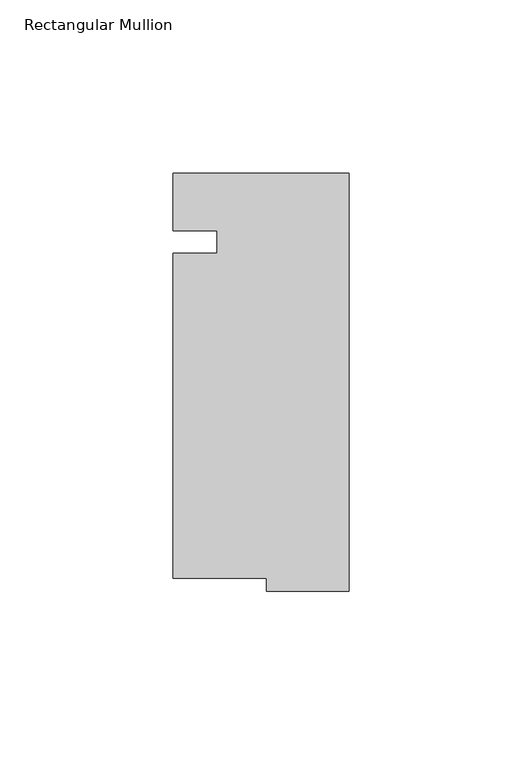
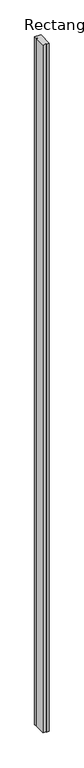
"""IFC4 building model written with IfcOpenShell, lengths in millimetres: member geometry, Rectangular Mullion."""

from ifc_helpers import new_model, si_unit, frame, origin, place, context, project, spatial, polyline, outline, extrude, source, transform, mapped, element, save


def rectangular_mullion_d02981e1(model_context):
    return source(origin(), model_context, "Body", "SweptSolid", [
        extrude(outline(polyline([(0.0, -60.5664926), (-23.7756192, -60.5664926), (-23.7756192, -56.8028805), (-50.7746, -56.8028805), (-50.7746, 36.9806028), (-38.0746, 36.9806028), (-38.0746, 43.4208412), (-50.7746, 43.4208412), (-50.7746, 60.0835074), (0.0, 60.0835074), (0.0, -60.5664926)])), frame((0.0, 0.0, -6019.8), z_axis=(0.0, 0.0, 1.0), x_axis=(1.0, 0.0, 0.0)), (0.0, 0.0, 1.0), 6019.8),
    ])


if __name__ == "__main__":
    model = new_model("IFC4")
    model_context = context("Model", 3, world=origin())
    ifc_project = project(units=[si_unit("LENGTHUNIT", "METRE", prefix="MILLI")], contexts=[model_context])
    site = spatial("IfcSite", under=ifc_project)
    building = spatial("IfcBuilding", under=site)
    placement = place(None, origin())
    rectangular_mullion_shape = rectangular_mullion_d02981e1(model_context)
    element("IfcMember", 1, ObjectType="Rectangular Mullion", at=placement, inside=building, context=model_context, shape_type="MappedRepresentation", body=[
        mapped(rectangular_mullion_shape, transform((0.0, 0.0, 0.0), x_axis=(1.0, 0.0, 0.0), y_axis=(0.0, 1.0, 0.0), z_axis=(0.0, 0.0, 1.0))),
    ])
    save(model, "model.ifc")
